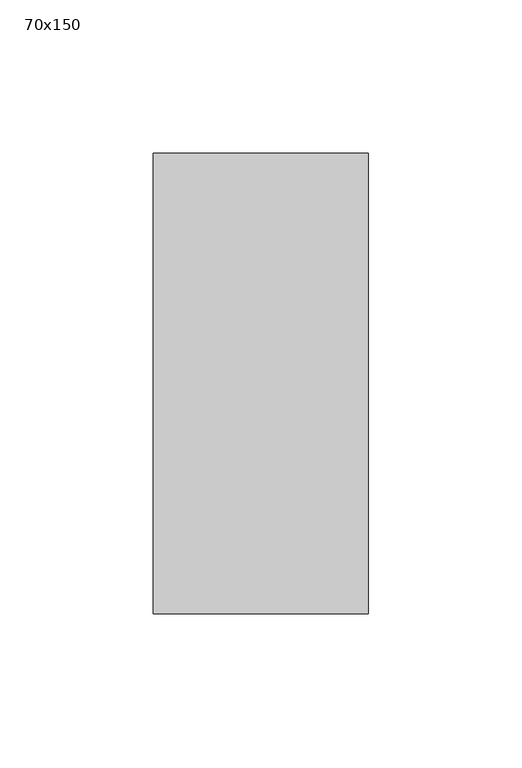
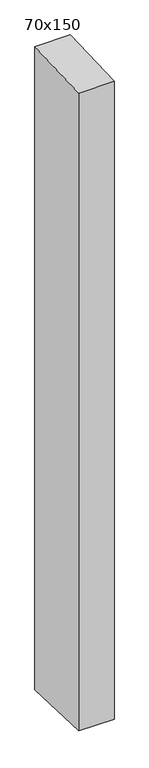
"""IFC4 building model written with IfcOpenShell, lengths in millimetres: member geometry, 70x150."""

from ifc_helpers import new_model, si_unit, frame, origin, place, context, project, spatial, polyline, outline, extrude, source, transform, mapped, element, save


def member_70x150_97c649cb(model_context):
    return source(origin(), model_context, "Body", "SweptSolid", [
        extrude(outline(polyline([(-75.0, -3.0613676), (75.0, 3.0613676), (75.0, -1341.8430345), (-75.0, -1337.0363798), (-75.0, -3.0613676)])), frame((-35.0, 0.0, 0.0), z_axis=(1.0, 0.0, 0.0), x_axis=(0.0, 1.0, 0.0)), (0.0, 0.0, 1.0), 70.0),
    ])


if __name__ == "__main__":
    model = new_model("IFC4")
    model_context = context("Model", 3, world=origin())
    ifc_project = project(units=[si_unit("LENGTHUNIT", "METRE", prefix="MILLI")], contexts=[model_context])
    site = spatial("IfcSite", under=ifc_project)
    building = spatial("IfcBuilding", under=site)
    placement = place(None, origin())
    member_70x150_shape = member_70x150_97c649cb(model_context)
    element("IfcMember", 1, ObjectType="70x150", at=placement, inside=building, context=model_context, shape_type="MappedRepresentation", body=[
        mapped(member_70x150_shape, transform((0.0, 0.0, 0.0), x_axis=(1.0, 0.0, 0.0), y_axis=(0.0, 1.0, 0.0), z_axis=(0.0, 0.0, 1.0))),
    ])
    save(model, "model.ifc")
